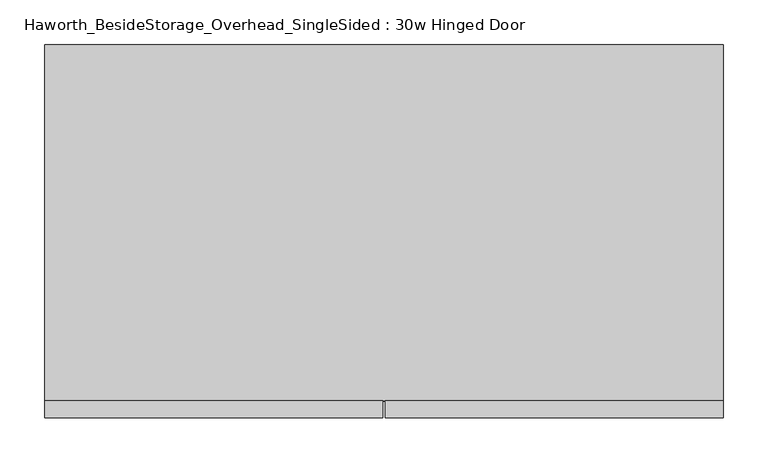
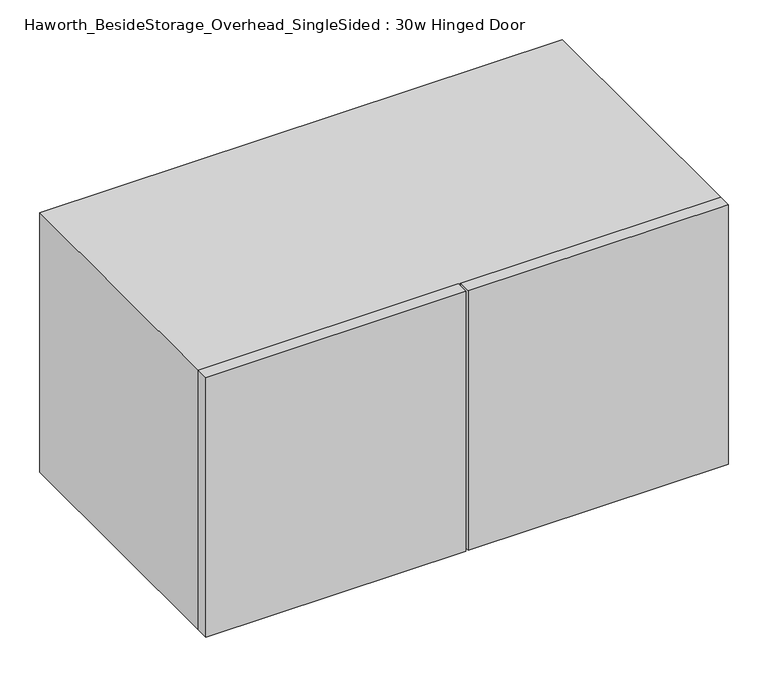
"""IFC4 building model written with IfcOpenShell, lengths in millimetres: furniture geometry, Haworth_BesideStorage_Overhead_SingleSided : 30w Hinged Door."""

from ifc_helpers import new_model, si_unit, frame, origin, place, context, project, spatial, polyline, outline, extrude, source, transform, mapped, element, save


def haworth_besidestorage_overhead_singlesided_30w_hinged_door_d34e5e04(model_context):
    return source(origin(), model_context, "Body", "SweptSolid", [
        extrude(outline(polyline([(166.6875, -419.1), (166.6875, -400.05), (546.1, -400.05), (546.1, -419.1), (166.6875, -419.1)])), frame((0.0, 0.0, 762.0), z_axis=(0.0, 0.0, 1.0), x_axis=(1.0, 0.0, 0.0)), (0.0, 0.0, 1.0), 400.05),
        extrude(outline(polyline([(163.5125, -419.1), (-215.9, -419.1), (-215.9, -400.05), (163.5125, -400.05), (163.5125, -419.1)])), frame((0.0, 0.0, 762.0), z_axis=(0.0, 0.0, 1.0), x_axis=(1.0, 0.0, 0.0)), (0.0, 0.0, 1.0), 400.05),
        extrude(outline(polyline([(174.625, -400.05), (155.575, -400.05), (155.575, -19.05), (174.625, -19.05), (174.625, -400.05)])), frame((0.0, 0.0, 781.05), z_axis=(0.0, 0.0, 1.0), x_axis=(1.0, 0.0, 0.0)), (0.0, 0.0, 1.0), 361.95),
        extrude(outline(polyline([(527.05, -19.05), (-196.85, -19.05), (-196.85, 0.0), (527.05, 0.0), (527.05, -19.05)])), frame((0.0, 0.0, 781.05), z_axis=(0.0, 0.0, 1.0), x_axis=(1.0, 0.0, 0.0)), (0.0, 0.0, 1.0), 361.95),
        extrude(outline(polyline([(762.0, 546.1), (1162.05, 546.1), (1162.05, -215.9), (762.0, -215.9), (762.0, 546.1)]), holes=[polyline([(1143.0, 527.05), (781.05, 527.05), (781.05, -196.85), (1143.0, -196.85), (1143.0, 527.05)])]), frame((0.0, -400.05, 0.0), z_axis=(0.0, 1.0, 0.0), x_axis=(0.0, 0.0, 1.0)), (0.0, 0.0, 1.0), 400.05),
    ])


if __name__ == "__main__":
    model = new_model("IFC4")
    model_context = context("Model", 3, world=origin())
    ifc_project = project(units=[si_unit("LENGTHUNIT", "METRE", prefix="MILLI")], contexts=[model_context])
    site = spatial("IfcSite", under=ifc_project)
    building = spatial("IfcBuilding", under=site)
    placement = place(None, origin())
    haworth_besidestorage_overhead_singlesided_30w_hinged_door_shape = haworth_besidestorage_overhead_singlesided_30w_hinged_door_d34e5e04(model_context)
    element("IfcFurniture", 1, ObjectType="Haworth_BesideStorage_Overhead_SingleSided : 30w Hinged Door", at=placement, inside=building, context=model_context, shape_type="MappedRepresentation", body=[
        mapped(haworth_besidestorage_overhead_singlesided_30w_hinged_door_shape, transform((0.0, 0.0, 0.0), x_axis=(1.0, 0.0, 0.0), y_axis=(0.0, 1.0, 0.0), z_axis=(0.0, 0.0, 1.0))),
    ])
    save(model, "model.ifc")
